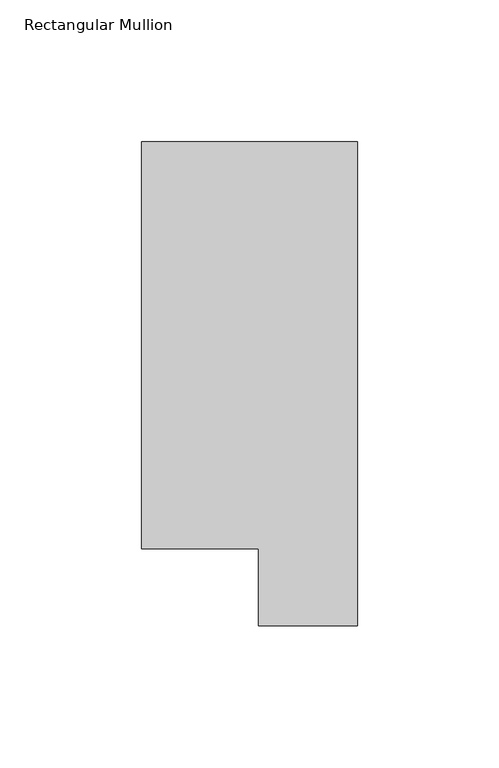
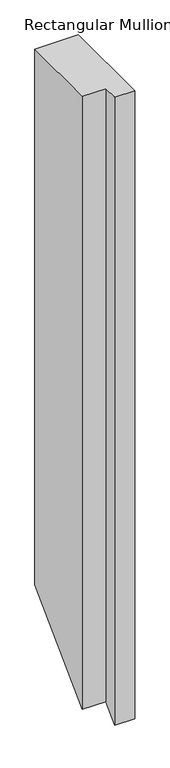
"""IFC4 building model written with IfcOpenShell, lengths in millimetres: member geometry, Rectangular Mullion."""

from ifc_helpers import new_model, si_unit, origin, place, context, project, spatial, faceted_brep, source, transform, mapped, element, save


def rectangular_mullion_9900aba9(model_context):
    return source(origin(), model_context, "Body", "Brep", [
        faceted_brep([(0.0, 190.2801312, 0.0), (-76.2, 190.2801312, 0.0), (-76.2, 46.7447302, 0.0), (-34.9123, 46.7447302, 0.0), (-34.9123, 19.5667312, 0.0), (0.0, 19.5667312, 0.0), (0.0, 190.2801312, -991.1392916), (-76.2, 190.2801312, -991.1392916), (-76.2, 46.7447302, -1134.6746927), (-34.9123, 46.7447302, -1134.6746927), (-34.9123, 19.5667312, -1161.8526916), (0.0, 19.5667312, -1161.8526916)], [[[0, 1, 2, 3, 4, 5]], [[1, 0, 6, 7]], [[2, 1, 7, 8]], [[3, 2, 8, 9]], [[4, 3, 9, 10]], [[5, 4, 10, 11]], [[0, 5, 11, 6]], [[6, 11, 10, 9, 8, 7]]]),
    ])


if __name__ == "__main__":
    model = new_model("IFC4")
    model_context = context("Model", 3, world=origin())
    ifc_project = project(units=[si_unit("LENGTHUNIT", "METRE", prefix="MILLI")], contexts=[model_context])
    site = spatial("IfcSite", under=ifc_project)
    building = spatial("IfcBuilding", under=site)
    placement = place(None, origin())
    rectangular_mullion_shape = rectangular_mullion_9900aba9(model_context)
    element("IfcMember", 1, ObjectType="Rectangular Mullion", at=placement, inside=building, context=model_context, shape_type="MappedRepresentation", body=[
        mapped(rectangular_mullion_shape, transform((0.0, 0.0, 0.0), x_axis=(1.0, 0.0, 0.0), y_axis=(0.0, 1.0, 0.0), z_axis=(0.0, 0.0, 1.0))),
    ])
    save(model, "model.ifc")
